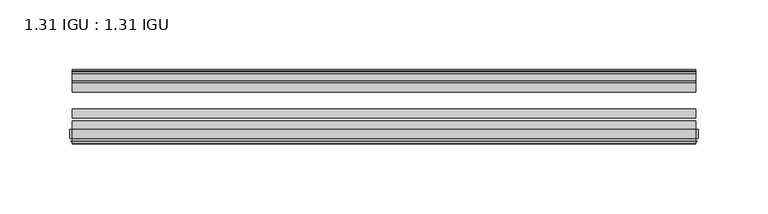
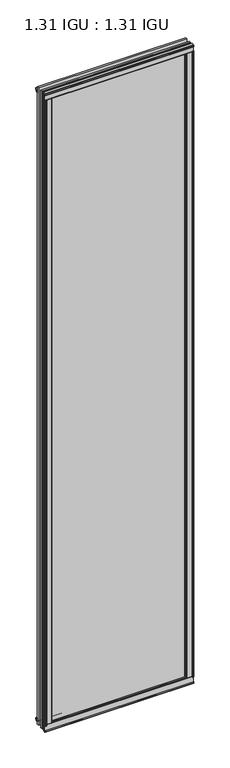
"""IFC4 building model written with IfcOpenShell, lengths in millimetres: plate geometry, 1.31 IGU : 1.31 IGU."""

from ifc_helpers import new_model, si_unit, point, frame, frame_2d, origin, origin_with_axes, place, context, project, spatial, polyline, circle_curve, trimmed, segment, composite_curve, outline, extrude, source, transform, mapped, element, save


def plate_1_31_igu_1_31_igu_089ecb62(model_context):
    return source(origin(), model_context, "Body", "SweptSolid", [
        extrude(outline(polyline([(210.8795845, -11.1943457), (209.4775511, -11.5700195), (209.247461, -10.7113114), (211.660461, -10.06475), (214.073461, -10.7113114), (213.8433709, -11.5700195), (212.4413375, -11.1943457), (213.057461, -13.49375), (216.7360351, -13.49375), (216.7360351, -18.1284104), (215.3073905, -19.84375), (203.5947198, -19.84375), (205.310461, -13.49375), (210.263461, -13.49375), (210.8795845, -11.1943457)])), origin_with_axes(), (0.0, 0.0, 1.0), 1993.9),
        extrude(outline(polyline([(-210.8795845, -11.1943457), (-210.263461, -13.49375), (-205.310461, -13.49375), (-203.5947198, -19.84375), (-215.3073905, -19.84375), (-216.7360351, -18.1284104), (-216.7360351, -13.49375), (-213.057461, -13.49375), (-212.4413375, -11.1943457), (-213.8433709, -11.5700195), (-214.073461, -10.7113114), (-211.660461, -10.06475), (-209.247461, -10.7113114), (-209.4775511, -11.5700195), (-210.8795845, -11.1943457)])), origin_with_axes(), (0.0, 0.0, 1.0), 1993.9),
        extrude(outline(polyline([(-13.49375, -5.7276998), (-11.1943457, -6.3438233), (-11.5700195, -4.9417899), (-10.7113114, -4.7116998), (-10.06475, -7.1246998), (-10.7113114, -9.5376998), (-11.5700195, -9.3076097), (-11.1943457, -7.9055763), (-13.49375, -8.5216998), (-13.49375, -12.2002739), (-18.1284104, -12.2002739), (-19.84375, -10.7716292), (-19.84375, 0.9410414), (-13.49375, -0.7746998), (-13.49375, -5.7276998)])), frame((-223.573061, 0.0, 0.0), z_axis=(1.0, 0.0, 0.0), x_axis=(0.0, 1.0, 0.0)), (0.0, 0.0, 1.0), 447.146122),
        extrude(outline(composite_curve([segment(polyline([(-55.9719113, 2.457708), (-53.16855, 3.0868452), (-53.16855, -20.9097918), (-59.51855, -20.9097918), (-59.51855, -18.6868471), (-62.0391488, -18.0752025), (-61.5965021, -19.0933159), (-61.5965021, -19.98942), (-63.2729251, -17.4063265), (-61.3290281, -15.2058028), (-61.3290281, -16.0360741), (-61.9417436, -16.9618553), (-59.51855, -16.8077164), (-59.51855, 0.6826418)]), True, "CONTINUOUS"), segment(trimmed(circle_curve(frame_2d((-58.24855, 0.6826418)), 1.27), [point((-59.51855, 0.6826418))], [point((-58.6007815, 1.9028193))], False, "CARTESIAN"), True, "CONTINUOUS"), segment(polyline([(-58.6007815, 1.9028193), (-55.9719113, 2.457708)]), True, "CONTINUOUS")], self_intersect=False)), frame((-223.573061, 0.0, 0.0), z_axis=(1.0, 0.0, 0.0), x_axis=(0.0, 1.0, 0.0)), (0.0, 0.0, 1.0), 447.146122),
        extrude(outline(polyline([(-13.49375, 1999.6276998), (-13.49375, 1994.6746998), (-19.84375, 1992.9589586), (-19.84375, 2004.6716292), (-18.1284104, 2006.1002739), (-13.49375, 2006.1002739), (-13.49375, 2002.4216998), (-11.1943457, 2001.8055763), (-11.5700195, 2003.2076097), (-10.7113114, 2003.4376998), (-10.06475, 2001.0246998), (-10.7113114, 1998.6116998), (-11.5700195, 1998.8417899), (-11.1943457, 2000.2438233), (-13.49375, 1999.6276998)])), frame((-223.573061, 0.0, 0.0), z_axis=(1.0, 0.0, 0.0), x_axis=(0.0, 1.0, 0.0)), (0.0, 0.0, 1.0), 447.146122),
        extrude(outline(composite_curve([segment(polyline([(-55.9719113, 1991.442292), (-58.6007815, 1991.9971807)]), True, "CONTINUOUS"), segment(trimmed(circle_curve(frame_2d((-58.24855, 1993.2173582)), 1.27), [point((-58.6007815, 1991.9971807))], [point((-59.51855, 1993.2173582))], False, "CARTESIAN"), True, "CONTINUOUS"), segment(polyline([(-59.51855, 1993.2173582), (-59.51855, 2010.7077164), (-61.9417436, 2010.8618553), (-61.3290281, 2009.9360741), (-61.3290281, 2009.1058028), (-63.2729251, 2011.3063265), (-61.5965021, 2013.88942), (-61.5965021, 2012.9933159), (-62.0391488, 2011.9752025), (-59.51855, 2012.5868471), (-59.51855, 2014.8097918), (-53.16855, 2014.8097918), (-53.16855, 1990.8131548), (-55.9719113, 1991.442292)]), True, "CONTINUOUS")], self_intersect=False)), frame((-223.573061, 0.0, 0.0), z_axis=(1.0, 0.0, 0.0), x_axis=(0.0, 1.0, 0.0)), (0.0, 0.0, 1.0), 447.146122),
        extrude(outline(composite_curve([segment(polyline([(-221.9420877, -63.2729251), (-224.5251812, -61.5965021), (-223.6290771, -61.5965021), (-222.6109637, -62.0391488), (-223.2226083, -59.51855), (-225.445553, -59.51855), (-225.445553, -53.16855), (-201.4489161, -53.16855), (-202.0780533, -55.9719113), (-202.6329419, -58.6007815)]), True, "CONTINUOUS"), segment(trimmed(circle_curve(frame_2d((-203.8531194, -58.24855)), 1.27), [point((-202.6329419, -58.6007815))], [point((-203.8531194, -59.51855))], False, "CARTESIAN"), True, "CONTINUOUS"), segment(polyline([(-203.8531194, -59.51855), (-221.3434777, -59.51855), (-221.4976165, -61.9417436), (-220.5718353, -61.3290281), (-219.7603073, -61.3290281), (-221.9420877, -63.2729251)]), True, "CONTINUOUS")], self_intersect=False)), origin_with_axes(), (0.0, 0.0, 1.0), 1993.9),
        extrude(outline(composite_curve([segment(polyline([(221.9420877, -63.2729251), (219.7603073, -61.3290281), (220.5718353, -61.3290281), (221.4976165, -61.9417436), (221.3434777, -59.51855), (203.8531194, -59.51855)]), True, "CONTINUOUS"), segment(trimmed(circle_curve(frame_2d((203.8531194, -58.24855)), 1.27), [point((203.8531194, -59.51855))], [point((202.6329419, -58.6007815))], False, "CARTESIAN"), True, "CONTINUOUS"), segment(polyline([(202.6329419, -58.6007815), (202.0780533, -55.9719113), (201.4489161, -53.16855), (225.445553, -53.16855), (225.445553, -59.51855), (223.2226083, -59.51855), (222.6109637, -62.0391488), (223.6290771, -61.5965021), (224.5251812, -61.5965021), (221.9420877, -63.2729251)]), True, "CONTINUOUS")], self_intersect=False)), origin_with_axes(), (0.0, 0.0, 1.0), 1993.9),
        extrude(outline(polyline([(223.573061, -19.84375), (223.573061, -26.14295), (-223.573061, -26.14295), (-223.573061, -19.84375), (223.573061, -19.84375)])), frame((0.0, 0.0, -19.05), z_axis=(0.0, 0.0, 1.0), x_axis=(1.0, 0.0, 0.0)), (0.0, 0.0, 1.0), 2032.0),
        extrude(outline(polyline([(-223.573061, -44.83735), (-223.573061, -38.53815), (223.573061, -38.53815), (223.573061, -44.83735), (-223.573061, -44.83735)])), frame((0.0, 0.0, -19.05), z_axis=(0.0, 0.0, 1.0), x_axis=(1.0, 0.0, 0.0)), (0.0, 0.0, 1.0), 2032.0),
        extrude(outline(polyline([(-223.573061, -53.16855), (-223.573061, -46.86935), (223.573061, -46.86935), (223.573061, -53.16855), (-223.573061, -53.16855)])), frame((0.0, 0.0, -19.05), z_axis=(0.0, 0.0, 1.0), x_axis=(1.0, 0.0, 0.0)), (0.0, 0.0, 1.0), 2032.0),
    ])


if __name__ == "__main__":
    model = new_model("IFC4")
    model_context = context("Model", 3, world=origin())
    ifc_project = project(units=[si_unit("LENGTHUNIT", "METRE", prefix="MILLI")], contexts=[model_context])
    site = spatial("IfcSite", under=ifc_project)
    building = spatial("IfcBuilding", under=site)
    placement = place(None, origin())
    plate_1_31_igu_1_31_igu_shape = plate_1_31_igu_1_31_igu_089ecb62(model_context)
    element("IfcPlate", 1, ObjectType="1.31 IGU : 1.31 IGU", at=placement, inside=building, context=model_context, shape_type="MappedRepresentation", body=[
        mapped(plate_1_31_igu_1_31_igu_shape, transform((0.0, 0.0, 0.0), x_axis=(1.0, 0.0, 0.0), y_axis=(0.0, 1.0, 0.0), z_axis=(0.0, 0.0, 1.0))),
    ])
    save(model, "model.ifc")
